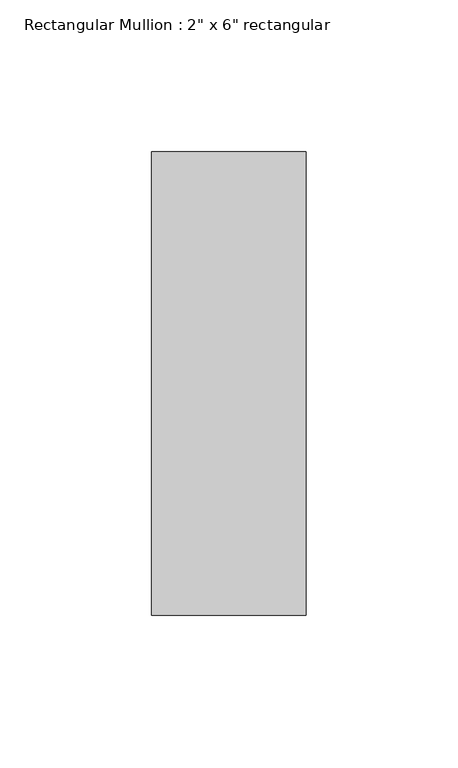
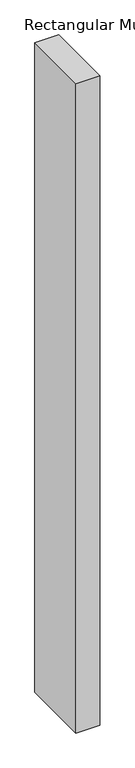
"""IFC4 building model written with IfcOpenShell, lengths in millimetres: member geometry."""

from ifc_helpers import new_model, si_unit, frame, origin, place, context, project, spatial, polyline, outline, extrude, source, transform, mapped, element, save


def member_00e400bb(model_context):
    return source(origin(), model_context, "Body", "SweptSolid", [
        extrude(outline(polyline([(0.0, 76.2), (0.0, -76.2), (-50.8, -76.2), (-50.8, 76.2), (0.0, 76.2)])), frame((0.0, 0.0, -1473.2), z_axis=(0.0, 0.0, 1.0), x_axis=(1.0, 0.0, 0.0)), (0.0, 0.0, 1.0), 1473.2),
    ])


if __name__ == "__main__":
    model = new_model("IFC4")
    model_context = context("Model", 3, world=origin())
    ifc_project = project(units=[si_unit("LENGTHUNIT", "METRE", prefix="MILLI")], contexts=[model_context])
    site = spatial("IfcSite", under=ifc_project)
    building = spatial("IfcBuilding", under=site)
    placement = place(None, origin())
    member_shape = member_00e400bb(model_context)
    element("IfcMember", 1, ObjectType="Rectangular Mullion : 2\" x 6\" rectangular", at=placement, inside=building, context=model_context, shape_type="MappedRepresentation", body=[
        mapped(member_shape, transform((0.0, 0.0, 0.0), x_axis=(1.0, 0.0, 0.0), y_axis=(0.0, 1.0, 0.0), z_axis=(0.0, 0.0, 1.0))),
    ])
    save(model, "model.ifc")
